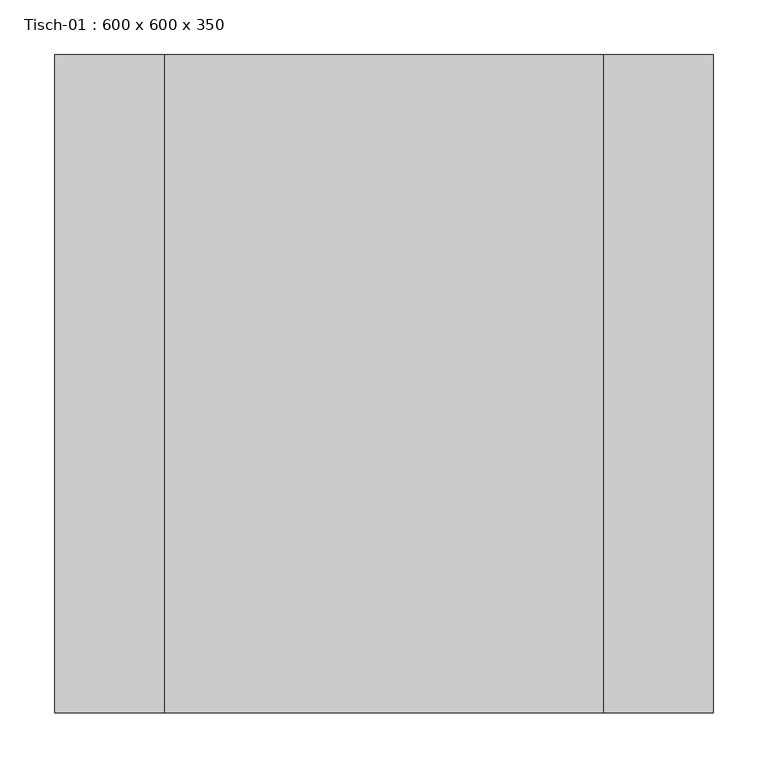
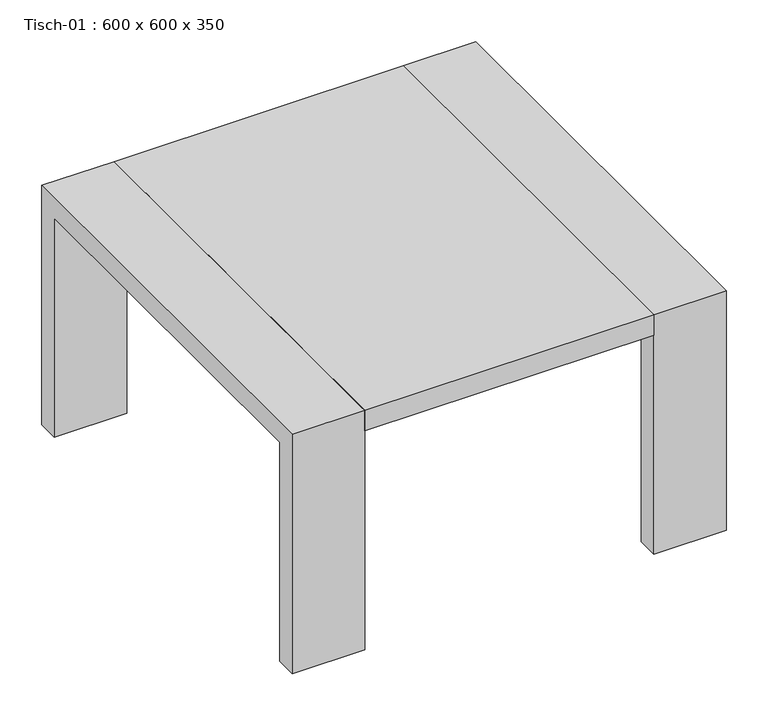
"""IFC4 building model written with IfcOpenShell, lengths in millimetres: furniture geometry, Tisch-01 : 600 x 600 x 350."""

from ifc_helpers import new_model, si_unit, frame, origin, place, context, project, spatial, polyline, outline, extrude, source, transform, mapped, element, save


def tisch_01_600_x_600_x_350_3b21a722(model_context):
    return source(origin(), model_context, "Body", "SweptSolid", [
        extrude(outline(polyline([(44.6852459, 119.2852459), (44.6852459, -480.7147541), (-355.3147541, -480.7147541), (-355.3147541, 119.2852459), (44.6852459, 119.2852459)])), frame((0.0, 0.0, 320.0), z_axis=(0.0, 0.0, 1.0), x_axis=(1.0, 0.0, 0.0)), (0.0, 0.0, 1.0), 30.0),
        extrude(outline(polyline([(-480.7147541, 350.0), (119.2852459, 350.0), (119.2852459, 0.0), (89.2852459, 0.0), (89.2852459, 320.0), (-450.7147541, 320.0), (-450.7147541, 0.0), (-480.7147541, 0.0), (-480.7147541, 350.0)])), frame((-455.3147541, 0.0, 0.0), z_axis=(1.0, 0.0, 0.0), x_axis=(0.0, 1.0, 0.0)), (0.0, 0.0, 1.0), 100.0),
        extrude(outline(polyline([(-480.7147541, 350.0), (119.2852459, 350.0), (119.2852459, 0.0), (89.2852459, 0.0), (89.2852459, 320.0), (-450.7147541, 320.0), (-450.7147541, 0.0), (-480.7147541, 0.0), (-480.7147541, 350.0)])), frame((44.6852459, 0.0, 0.0), z_axis=(1.0, 0.0, 0.0), x_axis=(0.0, 1.0, 0.0)), (0.0, 0.0, 1.0), 100.0),
    ])


if __name__ == "__main__":
    model = new_model("IFC4")
    model_context = context("Model", 3, world=origin())
    ifc_project = project(units=[si_unit("LENGTHUNIT", "METRE", prefix="MILLI")], contexts=[model_context])
    site = spatial("IfcSite", under=ifc_project)
    building = spatial("IfcBuilding", under=site)
    placement = place(None, origin())
    tisch_01_600_x_600_x_350_shape = tisch_01_600_x_600_x_350_3b21a722(model_context)
    element("IfcFurniture", 1, ObjectType="Tisch-01 : 600 x 600 x 350", at=placement, inside=building, context=model_context, shape_type="MappedRepresentation", body=[
        mapped(tisch_01_600_x_600_x_350_shape, transform((0.0, 0.0, 0.0), x_axis=(1.0, 0.0, 0.0), y_axis=(0.0, 1.0, 0.0), z_axis=(0.0, 0.0, 1.0))),
    ])
    save(model, "model.ifc")
